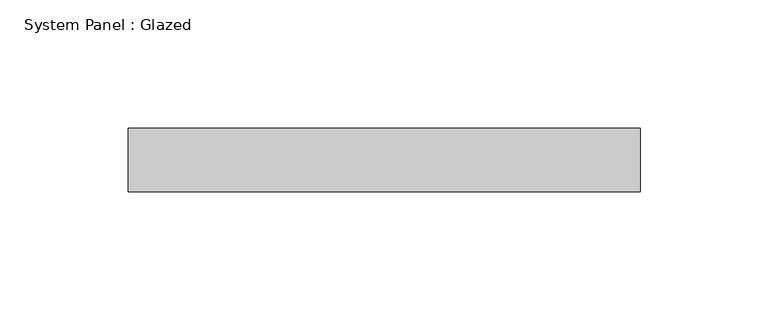
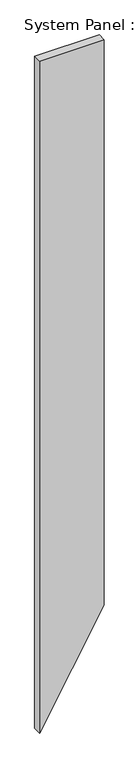
"""IFC4 building model written with IfcOpenShell, lengths in millimetres: plate geometry, System Panel : Glazed."""

from ifc_helpers import new_model, si_unit, frame, origin, place, context, project, spatial, polyline, outline, extrude, source, transform, mapped, element, save


def system_panel_glazed_1d938773(model_context):
    return source(origin(), model_context, "Body", "SweptSolid", [
        extrude(outline(polyline([(0.0, -100.0), (346.4101615, 100.0), (2189.4882228, 100.0), (2189.4882228, -100.0), (0.0, -100.0)])), frame((0.0, 24.5, 0.0), z_axis=(0.0, 1.0, 0.0), x_axis=(0.0, 0.0, 1.0)), (0.0, 0.0, 1.0), 25.0),
    ])


if __name__ == "__main__":
    model = new_model("IFC4")
    model_context = context("Model", 3, world=origin())
    ifc_project = project(units=[si_unit("LENGTHUNIT", "METRE", prefix="MILLI")], contexts=[model_context])
    site = spatial("IfcSite", under=ifc_project)
    building = spatial("IfcBuilding", under=site)
    placement = place(None, origin())
    system_panel_glazed_shape = system_panel_glazed_1d938773(model_context)
    element("IfcPlate", 1, ObjectType="System Panel : Glazed", at=placement, inside=building, context=model_context, shape_type="MappedRepresentation", body=[
        mapped(system_panel_glazed_shape, transform((0.0, 0.0, 0.0), x_axis=(1.0, 0.0, 0.0), y_axis=(0.0, 1.0, 0.0), z_axis=(0.0, 0.0, 1.0))),
    ])
    save(model, "model.ifc")
